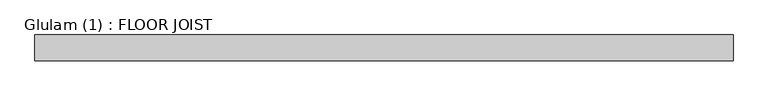
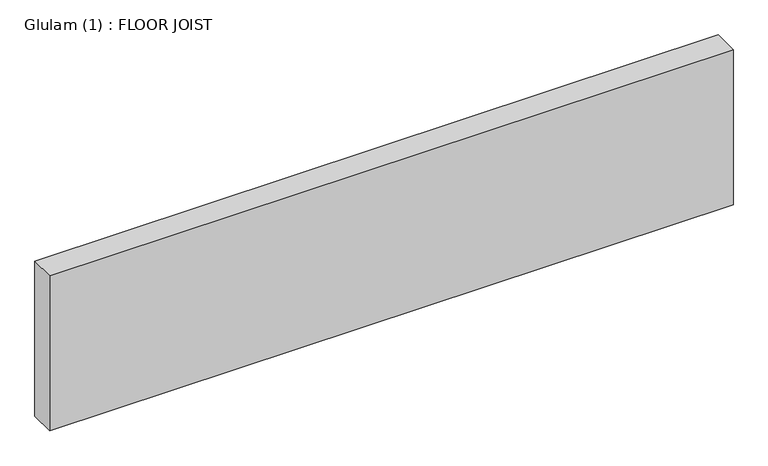
"""IFC4 building model written with IfcOpenShell, lengths in millimetres: beam geometry, Glulam (1) : FLOOR JOIST."""

import ifcopenshell
import ifcopenshell.guid

model = None  # the IFC model being written
_history = None  # IfcOwnerHistory: only IFC2X3 demands one
_inside = {}  # id of a spatial element -> (the spatial element, [elements in it])
_under = {}  # id of a project, library or spatial element -> (it, [spatial elements below it])
_declared = {}  # id of a project -> (the project, [libraries it declares])
_typed = {}  # id of a type object -> (the type object, [elements of that type])
_made_of = {}  # id of a material, layer set ... -> (it, [elements and type objects made of it])


def new_model(schema):
    """Start an empty IFC model of exactly this schema.

    Asked for "IFC4X3", IfcOpenShell would pick the latest addendum, in which some entities
    have other attributes; the version numbers below select the first issue.
    IFC2X3 requires an IfcOwnerHistory on every rooted entity: one is made here for all.
    """
    global model, _history
    if schema == "IFC4X3":
        model = ifcopenshell.file(schema_version=(4, 3, 0, 0))
    else:
        model = ifcopenshell.file(schema=schema)
    _inside.clear()
    _under.clear()
    _declared.clear()
    _typed.clear()
    _made_of.clear()
    _history = None
    if model.schema == "IFC2X3":
        org = make("IfcOrganization", Name="unknown")
        user = make(
            "IfcPersonAndOrganization",
            ThePerson=make("IfcPerson", FamilyName="unknown"),
            TheOrganization=org,
        )
        app = make(
            "IfcApplication",
            ApplicationDeveloper=org,
            Version="unknown",
            ApplicationFullName="unknown",
            ApplicationIdentifier="unknown",
        )
        _history = make(
            "IfcOwnerHistory",
            OwningUser=user,
            OwningApplication=app,
            ChangeAction="ADDED",
            CreationDate=0,
        )
    return model


def make(cls, **values):
    """One entity of the class cls with the attributes given. An attribute that is None is left unset."""
    return model.create_entity(
        cls, **{name: value for name, value in values.items() if value is not None}
    )


def rooted(cls, **values):
    """An entity with a GlobalId (a new one), such as an element, a storey or a relation."""
    return make(cls, GlobalId=ifcopenshell.guid.new(), OwnerHistory=_history, **values)


def si_unit(unit_type, name, prefix=None):
    """IfcSIUnit, for example si_unit("LENGTHUNIT", "METRE", prefix="MILLI")."""
    return make("IfcSIUnit", UnitType=unit_type, Prefix=prefix, Name=name)


def assignment(units):
    """IfcUnitAssignment: the units of a project."""
    return None if units is None else make("IfcUnitAssignment", Units=units)


def point(xyz):
    """IfcCartesianPoint."""
    return None if xyz is None else make("IfcCartesianPoint", Coordinates=xyz)


def direction(xyz):
    """IfcDirection."""
    return None if xyz is None else make("IfcDirection", DirectionRatios=xyz)


def frame(location, z_axis=None, x_axis=None):
    """IfcAxis2Placement3D, a coordinate frame: its origin and axes. An axis left out is left unset."""
    return make(
        "IfcAxis2Placement3D",
        Location=point(location),
        Axis=direction(z_axis),
        RefDirection=direction(x_axis),
    )


def origin():
    """The frame at (0, 0, 0) with its axes left unset."""
    return frame((0.0, 0.0, 0.0))


def place(relative_to, where):
    """IfcLocalPlacement: puts the frame where relative to a parent placement (None: the world)."""
    return make(
        "IfcLocalPlacement", PlacementRelTo=relative_to, RelativePlacement=where
    )


def context(
    kind, dimensions, precision=None, world=None, true_north=None, identifier=None
):
    """IfcGeometricRepresentationContext, for example the 3D "Model" context."""
    return make(
        "IfcGeometricRepresentationContext",
        ContextIdentifier=identifier,
        ContextType=kind,
        CoordinateSpaceDimension=dimensions,
        Precision=precision,
        WorldCoordinateSystem=world,
        TrueNorth=true_north,
    )


def project(units=None, contexts=None):
    """IfcProject with its units and contexts."""
    return rooted(
        "IfcProject",
        Name="project",
        RepresentationContexts=contexts,
        UnitsInContext=assignment(units),
    )


def spatial(cls, under=None, at=None, **own):
    """A site, building, storey or space (cls), placed at a placement, below another one or the project."""
    s = rooted(cls, ObjectPlacement=at, **own)
    if under is not None:
        _under.setdefault(under.id(), (under, []))[1].append(s)
    return s


def polyline(points):
    """IfcPolyline through the points."""
    return make("IfcPolyline", Points=[point(p) for p in points])


def outline(outer, holes=None, kind="AREA"):
    """IfcArbitraryClosedProfileDef: a profile drawn as a closed curve; with holes, ...WithVoids."""
    if holes is None:
        return make("IfcArbitraryClosedProfileDef", ProfileType=kind, OuterCurve=outer)
    return make(
        "IfcArbitraryProfileDefWithVoids",
        ProfileType=kind,
        OuterCurve=outer,
        InnerCurves=holes,
    )


def extrude(swept, where, along, depth):
    """IfcExtrudedAreaSolid: the profile swept, set in the frame where, extruded along a direction by depth."""
    return make(
        "IfcExtrudedAreaSolid",
        SweptArea=swept,
        Position=where,
        ExtrudedDirection=direction(along),
        Depth=depth,
    )


def shape(context_of_items, identifier, shape_type, items):
    """IfcShapeRepresentation: the items that make up one representation, for example the "Body"."""
    return make(
        "IfcShapeRepresentation",
        ContextOfItems=context_of_items,
        RepresentationIdentifier=identifier,
        RepresentationType=shape_type,
        Items=items,
    )


def source(mapping_origin, context_of_items, identifier, shape_type, items):
    """IfcRepresentationMap: a shape defined once, which mapped items show again and again."""
    return make(
        "IfcRepresentationMap",
        MappingOrigin=mapping_origin,
        MappedRepresentation=shape(context_of_items, identifier, shape_type, items),
    )


def transform(
    local_origin,
    x_axis=None,
    y_axis=None,
    z_axis=None,
    scale=None,
    scale2=None,
    scale3=None,
    uniform=True,
):
    """IfcCartesianTransformationOperator3D, or its non-uniform kind. x_axis, y_axis, z_axis: its Axis1, 2, 3."""
    if uniform:
        return make(
            "IfcCartesianTransformationOperator3D",
            Axis1=direction(x_axis),
            Axis2=direction(y_axis),
            LocalOrigin=point(local_origin),
            Scale=scale,
            Axis3=direction(z_axis),
        )
    return make(
        "IfcCartesianTransformationOperator3DnonUniform",
        Axis1=direction(x_axis),
        Axis2=direction(y_axis),
        LocalOrigin=point(local_origin),
        Scale=scale,
        Axis3=direction(z_axis),
        Scale2=scale2,
        Scale3=scale3,
    )


def mapped(mapping_source, mapping_target):
    """IfcMappedItem: shows the shape of a source again, moved by a transform."""
    return make(
        "IfcMappedItem", MappingSource=mapping_source, MappingTarget=mapping_target
    )


def made_of(thing, what):
    """Note that an element or type object is made of a material, layer set ...; save() writes the relation."""
    if what is not None:
        _made_of.setdefault(what.id(), (what, []))[1].append(thing)
    return thing


def element(
    cls,
    number,
    at=None,
    inside=None,
    cuts=None,
    type_object=None,
    material=None,
    context=None,
    identifier="Body",
    shape_type=None,
    held_by="IfcProductDefinitionShape",
    body=None,
    shapes=None,
    **own,
):
    """One element of the class cls, such as IfcWall. Its Tag is "e" and its number.

    at: its placement. inside: the storey or other place that contains it. cuts: it is an
    opening in that element (IfcRelVoidsElement). A single representation is given by context,
    identifier, shape_type and body (its items); several are given by shapes. held_by: the class
    of the entity that holds the representations. save() writes the other relations.
    """
    e = rooted(cls, Tag="e%d" % number, ObjectPlacement=at, **own)
    if body is not None:
        shapes = [shape(context, identifier, shape_type, body)]
    if shapes is not None:
        e.Representation = make(held_by, Representations=shapes)
    if inside is not None:
        _inside.setdefault(inside.id(), (inside, []))[1].append(e)
    if cuts is not None:
        rooted(
            "IfcRelVoidsElement", RelatingBuildingElement=cuts, RelatedOpeningElement=e
        )
    if type_object is not None:
        _typed.setdefault(type_object.id(), (type_object, []))[1].append(e)
    return made_of(e, material)


def aggregate(whole, parts):
    """IfcRelAggregates: a whole, such as a stair, and the parts it consists of."""
    return rooted("IfcRelAggregates", RelatingObject=whole, RelatedObjects=parts)


def save(model, path):
    """Write the relations noted so far, then the file.

    IfcRelAggregates (storeys below a building ...), IfcRelContainedInSpatialStructure (elements
    in a storey), IfcRelDefinesByType, IfcRelAssociatesMaterial and IfcRelDeclares: one each for
    every whole, place, type object, material and project.
    """
    for whole, parts in _under.values():
        aggregate(whole, parts)
    for where, things in _inside.values():
        rooted(
            "IfcRelContainedInSpatialStructure",
            RelatedElements=things,
            RelatingStructure=where,
        )
    for kind, things in _typed.values():
        rooted("IfcRelDefinesByType", RelatedObjects=things, RelatingType=kind)
    for what, things in _made_of.values():
        rooted("IfcRelAssociatesMaterial", RelatedObjects=things, RelatingMaterial=what)
    for by, libraries in _declared.values():
        rooted("IfcRelDeclares", RelatingContext=by, RelatedDefinitions=libraries)
    model.write(path)


def glulam_1_floor_joist_e5b5397a(model_context):
    return source(origin(), model_context, "Body", "SweptSolid", [
        extrude(outline(polyline([(604.5, 22.5), (604.5, -22.5), (-604.5, -22.5), (-604.5, 22.5), (604.5, 22.5)])), frame((0.0, 0.0, -145.0), z_axis=(0.0, 0.0, 1.0), x_axis=(1.0, 0.0, 0.0)), (0.0, 0.0, 1.0), 290.0),
    ])


if __name__ == "__main__":
    model = new_model("IFC4")
    model_context = context("Model", 3, world=origin())
    ifc_project = project(units=[si_unit("LENGTHUNIT", "METRE", prefix="MILLI")], contexts=[model_context])
    site = spatial("IfcSite", under=ifc_project)
    building = spatial("IfcBuilding", under=site)
    placement = place(None, origin())
    glulam_1_floor_joist_shape = glulam_1_floor_joist_e5b5397a(model_context)
    element("IfcBeam", 1, ObjectType="Glulam (1) : FLOOR JOIST", at=placement, inside=building, context=model_context, shape_type="MappedRepresentation", body=[
        mapped(glulam_1_floor_joist_shape, transform((0.0, 0.0, 0.0), x_axis=(1.0, 0.0, 0.0), y_axis=(0.0, 1.0, 0.0), z_axis=(0.0, 0.0, 1.0))),
    ])
    save(model, "model.ifc")
